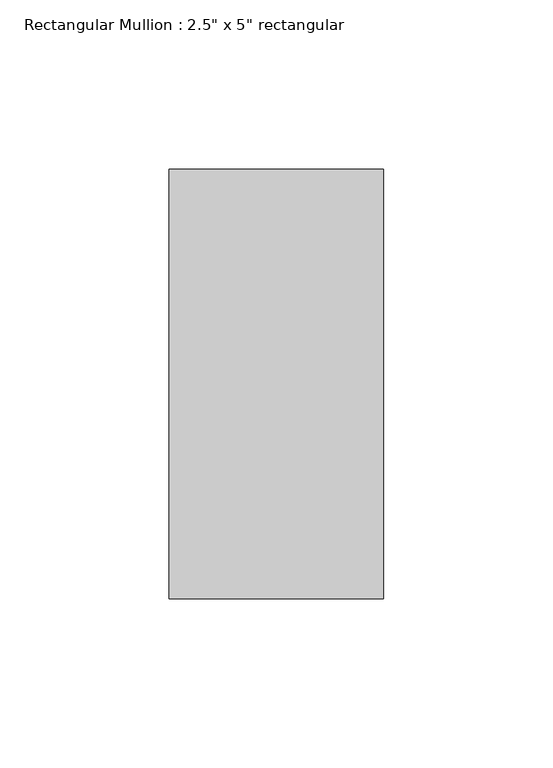
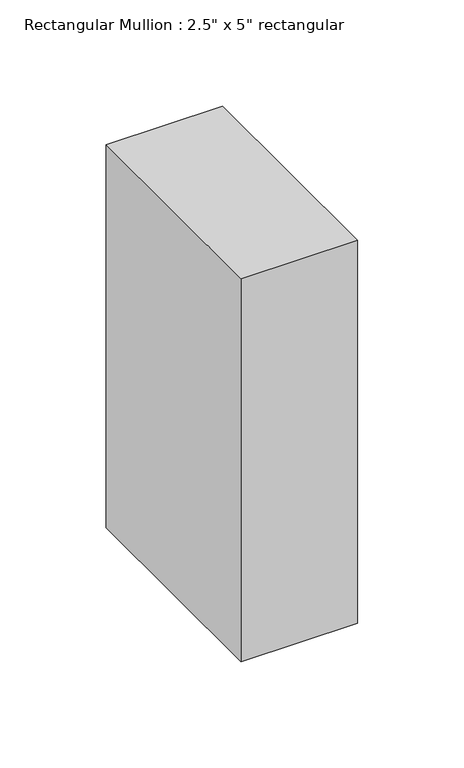
"""IFC4 building model written with IfcOpenShell, lengths in millimetres: member geometry."""

from ifc_helpers import new_model, si_unit, frame, origin, place, context, project, spatial, polyline, outline, extrude, source, transform, mapped, element, save


def member_a0bf374b(model_context):
    return source(origin(), model_context, "Body", "SweptSolid", [
        extrude(outline(polyline([(31.75, 63.5), (31.75, -63.5), (-31.75, -63.5), (-31.75, 63.5), (31.75, 63.5)])), frame((0.0, 0.0, -220.1333333), z_axis=(0.0, 0.0, 1.0), x_axis=(1.0, 0.0, 0.0)), (0.0, 0.0, 1.0), 220.1333333),
    ])


if __name__ == "__main__":
    model = new_model("IFC4")
    model_context = context("Model", 3, world=origin())
    ifc_project = project(units=[si_unit("LENGTHUNIT", "METRE", prefix="MILLI")], contexts=[model_context])
    site = spatial("IfcSite", under=ifc_project)
    building = spatial("IfcBuilding", under=site)
    placement = place(None, origin())
    member_shape = member_a0bf374b(model_context)
    element("IfcMember", 1, ObjectType="Rectangular Mullion : 2.5\" x 5\" rectangular", at=placement, inside=building, context=model_context, shape_type="MappedRepresentation", body=[
        mapped(member_shape, transform((0.0, 0.0, 0.0), x_axis=(1.0, 0.0, 0.0), y_axis=(0.0, 1.0, 0.0), z_axis=(0.0, 0.0, 1.0))),
    ])
    save(model, "model.ifc")
